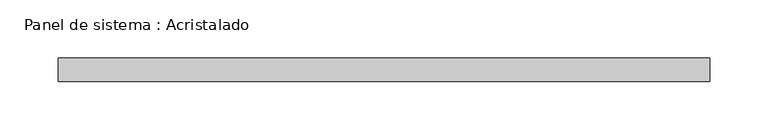
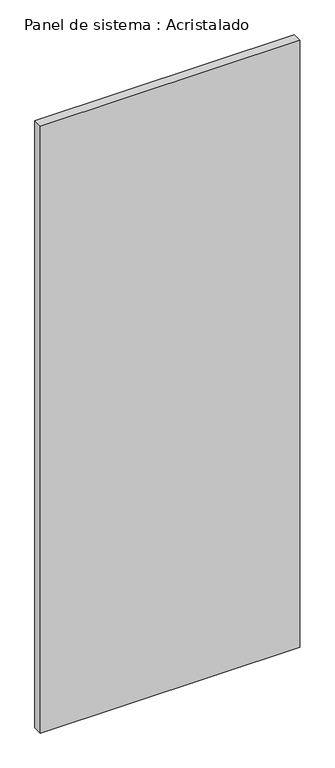
"""IFC4 building model written with IfcOpenShell, lengths in millimetres: plate geometry, Panel de sistema : Acristalado."""

from ifc_helpers import new_model, si_unit, origin, origin_with_axes, place, context, project, spatial, polyline, outline, extrude, source, transform, mapped, element, save


def panel_de_sistema_acristalado_44ad6402(model_context):
    return source(origin(), model_context, "Body", "SweptSolid", [
        extrude(outline(polyline([(279.5, -10.0), (-279.5, -10.0), (-279.5, 10.0), (279.5, 10.0), (279.5, -10.0)])), origin_with_axes(), (0.0, 0.0, 1.0), 1382.4904288),
    ])


if __name__ == "__main__":
    model = new_model("IFC4")
    model_context = context("Model", 3, world=origin())
    ifc_project = project(units=[si_unit("LENGTHUNIT", "METRE", prefix="MILLI")], contexts=[model_context])
    site = spatial("IfcSite", under=ifc_project)
    building = spatial("IfcBuilding", under=site)
    placement = place(None, origin())
    panel_de_sistema_acristalado_shape = panel_de_sistema_acristalado_44ad6402(model_context)
    element("IfcPlate", 1, ObjectType="Panel de sistema : Acristalado", at=placement, inside=building, context=model_context, shape_type="MappedRepresentation", body=[
        mapped(panel_de_sistema_acristalado_shape, transform((0.0, 0.0, 0.0), x_axis=(1.0, 0.0, 0.0), y_axis=(0.0, 1.0, 0.0), z_axis=(0.0, 0.0, 1.0))),
    ])
    save(model, "model.ifc")
